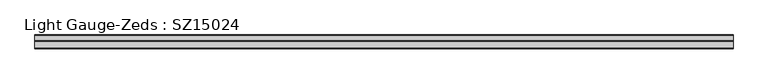
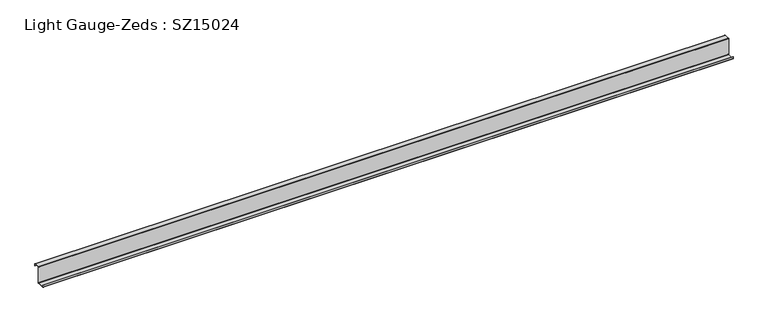
"""IFC4 building model written with IfcOpenShell, lengths in millimetres: beam geometry, Light Gauge-Zeds : SZ15024."""

from ifc_helpers import new_model, si_unit, point, frame, frame_2d, origin, place, context, project, spatial, polyline, circle_curve, trimmed, segment, composite_curve, outline, extrude, source, transform, mapped, element, save


def light_gauge_zeds_sz15024_5b719d8c(model_context):
    return source(origin(), model_context, "Body", "SweptSolid", [
        extrude(outline(composite_curve([segment(trimmed(circle_curve(frame_2d((-4.4, -71.6)), 4.4), [point((0.0, -71.6))], [point((-4.4, -76.0))], False, "CARTESIAN"), True, "CONTINUOUS"), segment(polyline([(-4.4, -76.0), (-65.6, -76.0)]), True, "CONTINUOUS"), segment(trimmed(circle_curve(frame_2d((-65.6, -71.6)), 4.4), [point((-65.6, -76.0))], [point((-70.0, -71.6))], False, "CARTESIAN"), True, "CONTINUOUS"), segment(polyline([(-70.0, -71.6), (-70.0, -56.0), (-67.6, -56.0), (-67.6, -71.6)]), True, "CONTINUOUS"), segment(trimmed(circle_curve(frame_2d((-65.6, -71.6)), 2.0), [point((-67.6, -71.6))], [point((-65.6, -73.6))], True, "CARTESIAN"), True, "CONTINUOUS"), segment(polyline([(-65.6, -73.6), (-4.4, -73.6)]), True, "CONTINUOUS"), segment(trimmed(circle_curve(frame_2d((-4.4, -71.6)), 2.0), [point((-4.4, -73.6))], [point((-2.4, -71.6))], True, "CARTESIAN"), True, "CONTINUOUS"), segment(polyline([(-2.4, -71.6), (-2.4, 71.6)]), True, "CONTINUOUS"), segment(trimmed(circle_curve(frame_2d((2.0, 71.6)), 4.4), [point((-2.4, 71.6))], [point((2.0, 76.0))], False, "CARTESIAN"), True, "CONTINUOUS"), segment(polyline([(2.0, 76.0), (47.6, 76.0)]), True, "CONTINUOUS"), segment(trimmed(circle_curve(frame_2d((47.6, 71.6)), 4.4), [point((47.6, 76.0))], [point((52.0, 71.6))], False, "CARTESIAN"), True, "CONTINUOUS"), segment(polyline([(52.0, 71.6), (52.0, 57.0), (49.6, 57.0), (49.6, 71.6)]), True, "CONTINUOUS"), segment(trimmed(circle_curve(frame_2d((47.6, 71.6)), 2.0), [point((49.6, 71.6))], [point((47.6, 73.6))], True, "CARTESIAN"), True, "CONTINUOUS"), segment(polyline([(47.6, 73.6), (2.0, 73.6)]), True, "CONTINUOUS"), segment(trimmed(circle_curve(frame_2d((2.0, 71.6)), 2.0), [point((2.0, 73.6))], [point((0.0, 71.6))], True, "CARTESIAN"), True, "CONTINUOUS"), segment(polyline([(0.0, 71.6), (0.0, -71.6)]), True, "CONTINUOUS")], self_intersect=False)), frame((-3282.0, 0.0, 0.0), z_axis=(1.0, 0.0, 0.0), x_axis=(0.0, 1.0, 0.0)), (0.0, 0.0, 1.0), 6112.0),
    ])


if __name__ == "__main__":
    model = new_model("IFC4")
    model_context = context("Model", 3, world=origin())
    ifc_project = project(units=[si_unit("LENGTHUNIT", "METRE", prefix="MILLI")], contexts=[model_context])
    site = spatial("IfcSite", under=ifc_project)
    building = spatial("IfcBuilding", under=site)
    placement = place(None, origin())
    light_gauge_zeds_sz15024_shape = light_gauge_zeds_sz15024_5b719d8c(model_context)
    element("IfcBeam", 1, ObjectType="Light Gauge-Zeds : SZ15024", at=placement, inside=building, context=model_context, shape_type="MappedRepresentation", body=[
        mapped(light_gauge_zeds_sz15024_shape, transform((0.0, 0.0, 0.0), x_axis=(1.0, 0.0, 0.0), y_axis=(0.0, 1.0, 0.0), z_axis=(0.0, 0.0, 1.0))),
    ])
    save(model, "model.ifc")
